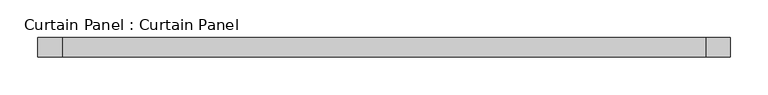
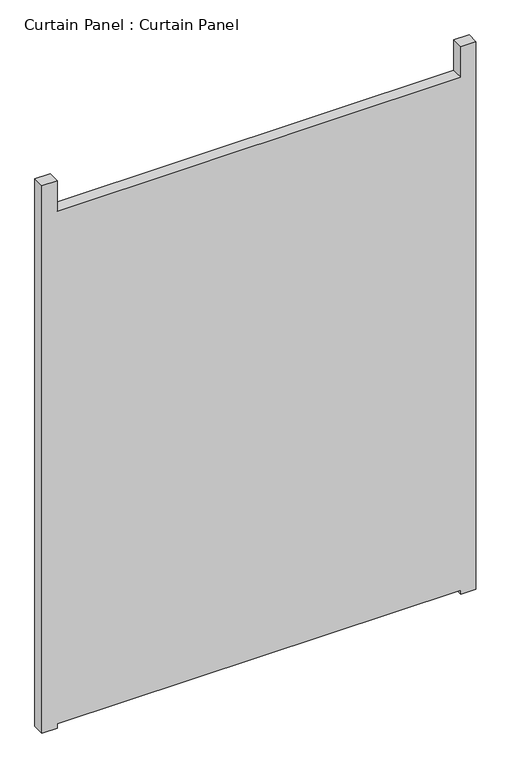
"""IFC4 building model written with IfcOpenShell, lengths in millimetres: plate geometry, Curtain Panel : Curtain Panel."""

from ifc_helpers import new_model, si_unit, frame, origin, place, context, project, spatial, polyline, outline, extrude, source, transform, mapped, element, save


def curtain_panel_curtain_panel_0d6de78a(model_context):
    return source(origin(), model_context, "Body", "SweptSolid", [
        extrude(outline(polyline([(1758.3024539, -38016.6559769), (1767.8274539, -38016.6559769), (1767.8274539, -37166.0944373), (1758.3024539, -37166.0944373), (1758.3024539, -37134.3444373), (2977.5024539, -37134.3444373), (2977.5024539, -37166.0944373), (2909.6737298, -37166.0944373), (2909.6737298, -38016.6559769), (2977.5024539, -38016.6559769), (2977.5024539, -38048.7444373), (1758.3024539, -38048.7444373), (1758.3024539, -38016.6559769)])), frame((0.0, -1996.9602036, 0.0), z_axis=(0.0, 1.0, 0.0), x_axis=(0.0, 0.0, 1.0)), (0.0, 0.0, 1.0), 25.4),
    ])


if __name__ == "__main__":
    model = new_model("IFC4")
    model_context = context("Model", 3, world=origin())
    ifc_project = project(units=[si_unit("LENGTHUNIT", "METRE", prefix="MILLI")], contexts=[model_context])
    site = spatial("IfcSite", under=ifc_project)
    building = spatial("IfcBuilding", under=site)
    placement = place(None, origin())
    curtain_panel_curtain_panel_shape = curtain_panel_curtain_panel_0d6de78a(model_context)
    element("IfcPlate", 1, ObjectType="Curtain Panel : Curtain Panel", at=placement, inside=building, context=model_context, shape_type="MappedRepresentation", body=[
        mapped(curtain_panel_curtain_panel_shape, transform((0.0, 0.0, 0.0), x_axis=(1.0, 0.0, 0.0), y_axis=(0.0, 1.0, 0.0), z_axis=(0.0, 0.0, 1.0))),
    ])
    save(model, "model.ifc")
